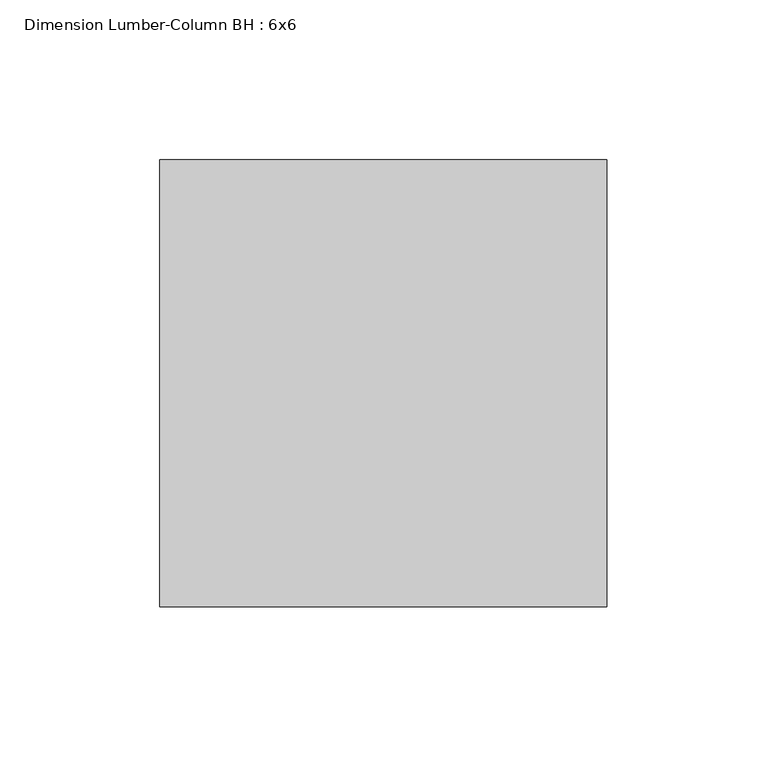
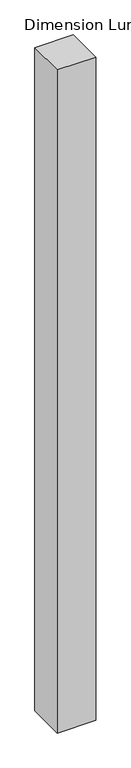
"""IFC4 building model written with IfcOpenShell, lengths in millimetres: column geometry, Dimension Lumber-Column BH : 6x6."""

from ifc_helpers import new_model, si_unit, frame, origin, place, context, project, spatial, polyline, outline, extrude, source, transform, mapped, element, save


def dimension_lumber_column_bh_6x6_c0010cea(model_context):
    return source(origin(), model_context, "Body", "SweptSolid", [
        extrude(outline(polyline([(69.85, 69.85), (69.85, -69.85), (-69.85, -69.85), (-69.85, 69.85), (69.85, 69.85)])), frame((0.0, 0.0, -101.6), z_axis=(0.0, 0.0, 1.0), x_axis=(1.0, 0.0, 0.0)), (0.0, 0.0, 1.0), 2540.0),
    ])


if __name__ == "__main__":
    model = new_model("IFC4")
    model_context = context("Model", 3, world=origin())
    ifc_project = project(units=[si_unit("LENGTHUNIT", "METRE", prefix="MILLI")], contexts=[model_context])
    site = spatial("IfcSite", under=ifc_project)
    building = spatial("IfcBuilding", under=site)
    placement = place(None, origin())
    dimension_lumber_column_bh_6x6_shape = dimension_lumber_column_bh_6x6_c0010cea(model_context)
    element("IfcColumn", 1, ObjectType="Dimension Lumber-Column BH : 6x6", at=placement, inside=building, context=model_context, shape_type="MappedRepresentation", body=[
        mapped(dimension_lumber_column_bh_6x6_shape, transform((0.0, 0.0, 0.0), x_axis=(1.0, 0.0, 0.0), y_axis=(0.0, 1.0, 0.0), z_axis=(0.0, 0.0, 1.0))),
    ])
    save(model, "model.ifc")
